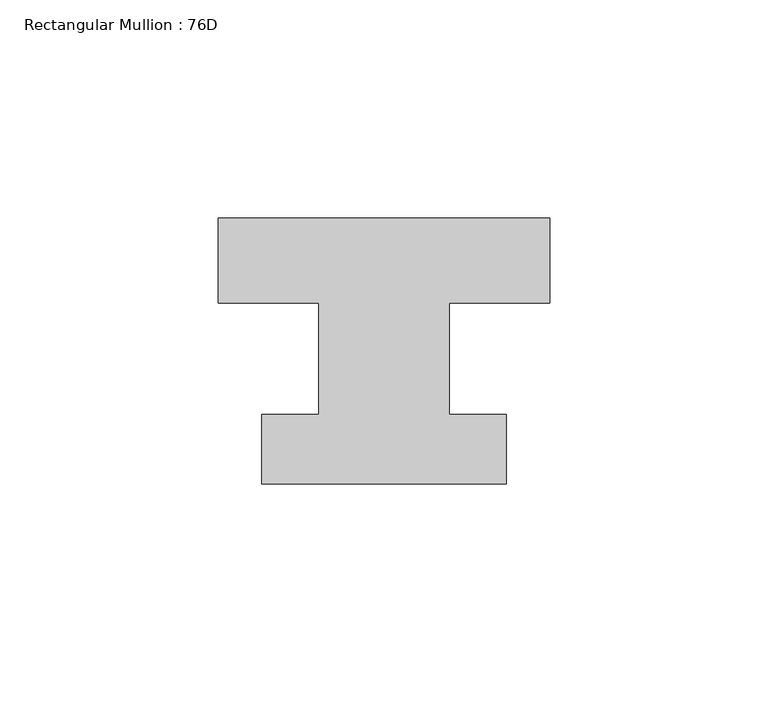
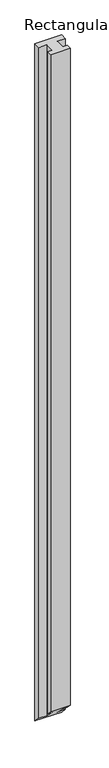
"""IFC4 building model written with IfcOpenShell, lengths in millimetres: member geometry, Rectangular Mullion : 76D."""

from ifc_helpers import new_model, si_unit, origin, place, context, project, spatial, faceted_brep, source, transform, mapped, element, save


def rectangular_mullion_76d_bb9b709e(model_context):
    return source(origin(), model_context, "Body", "Brep", [
        faceted_brep([(0.0, 20.0, 0.0), (-76.0, 20.0, 0.0), (-76.0, 0.5, 0.0), (-53.0, 0.5, 0.0), (-53.0, -25.0, 0.0), (-66.0, -25.0, 0.0), (-66.0, -41.0, 0.0), (-10.0, -41.0, 0.0), (-10.0, -25.0, 0.0), (-23.0, -25.0, 0.0), (-23.0, 0.5, 0.0), (0.0, 0.5, 0.0), (0.0, 20.0, -2044.0), (-76.0, 20.0, -2044.0), (-76.0, 0.5, -2024.5), (-53.0, 0.5, -2024.5), (-53.0, -25.0, -1999.0), (-66.0, -25.0, -1999.0), (-66.0, -41.0, -1983.0), (-10.0, -41.0, -1983.0), (-10.0, -25.0, -1999.0), (-23.0, -25.0, -1999.0), (-23.0, 0.5, -2024.5), (0.0, 0.5, -2024.5)], [[[0, 1, 2, 3, 4, 5, 6, 7, 8, 9, 10, 11]], [[1, 0, 12, 13]], [[2, 1, 13, 14]], [[3, 2, 14, 15]], [[4, 3, 15, 16]], [[5, 4, 16, 17]], [[6, 5, 17, 18]], [[7, 6, 18, 19]], [[8, 7, 19, 20]], [[9, 8, 20, 21]], [[10, 9, 21, 22]], [[11, 10, 22, 23]], [[0, 11, 23, 12]], [[12, 23, 22, 21, 20, 19, 18, 17, 16, 15, 14, 13]]]),
    ])


if __name__ == "__main__":
    model = new_model("IFC4")
    model_context = context("Model", 3, world=origin())
    ifc_project = project(units=[si_unit("LENGTHUNIT", "METRE", prefix="MILLI")], contexts=[model_context])
    site = spatial("IfcSite", under=ifc_project)
    building = spatial("IfcBuilding", under=site)
    placement = place(None, origin())
    rectangular_mullion_76d_shape = rectangular_mullion_76d_bb9b709e(model_context)
    element("IfcMember", 1, ObjectType="Rectangular Mullion : 76D", at=placement, inside=building, context=model_context, shape_type="MappedRepresentation", body=[
        mapped(rectangular_mullion_76d_shape, transform((0.0, 0.0, 0.0), x_axis=(1.0, 0.0, 0.0), y_axis=(0.0, 1.0, 0.0), z_axis=(0.0, 0.0, 1.0))),
    ])
    save(model, "model.ifc")
